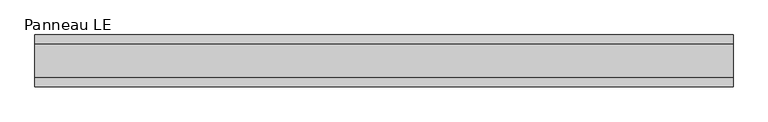
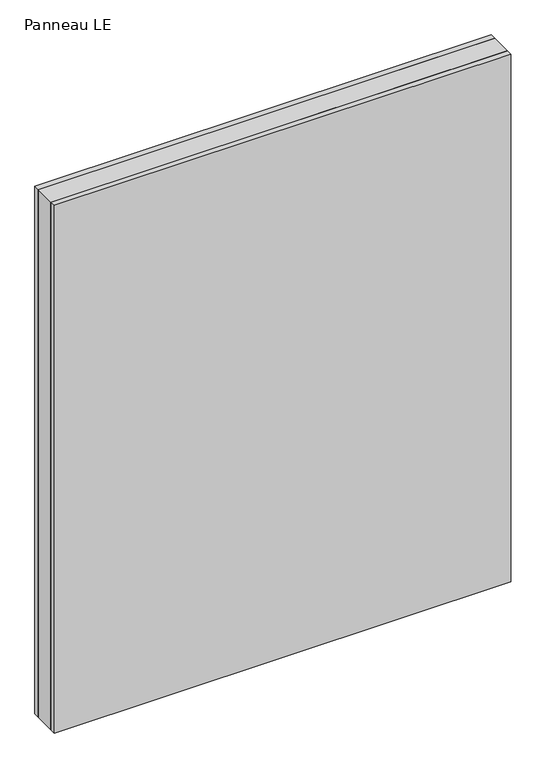
"""IFC4 building model written with IfcOpenShell, lengths in millimetres: plate geometry, Panneau LE."""

from ifc_helpers import new_model, si_unit, origin, origin_with_axes, place, context, project, spatial, polyline, outline, extrude, source, transform, mapped, element, save


def panneau_le_803bbf02(model_context):
    return source(origin(), model_context, "Body", "SweptSolid", [
        extrude(outline(polyline([(606.9999999, 29.0), (606.9999999, -29.0), (-606.9999999, -29.0), (-606.9999999, 29.0), (606.9999999, 29.0)])), origin_with_axes(), (0.0, 0.0, 1.0), 1483.5),
        extrude(outline(polyline([(606.9999999, 45.0), (606.9999999, 29.0), (-606.9999999, 29.0), (-606.9999999, 45.0), (606.9999999, 45.0)])), origin_with_axes(), (0.0, 0.0, 1.0), 1483.5),
        extrude(outline(polyline([(-606.9999999, -45.0), (-606.9999999, -29.0), (606.9999999, -29.0), (606.9999999, -45.0), (-606.9999999, -45.0)])), origin_with_axes(), (0.0, 0.0, 1.0), 1483.5),
    ])


if __name__ == "__main__":
    model = new_model("IFC4")
    model_context = context("Model", 3, world=origin())
    ifc_project = project(units=[si_unit("LENGTHUNIT", "METRE", prefix="MILLI")], contexts=[model_context])
    site = spatial("IfcSite", under=ifc_project)
    building = spatial("IfcBuilding", under=site)
    placement = place(None, origin())
    panneau_le_shape = panneau_le_803bbf02(model_context)
    element("IfcPlate", 1, ObjectType="Panneau LE", at=placement, inside=building, context=model_context, shape_type="MappedRepresentation", body=[
        mapped(panneau_le_shape, transform((0.0, 0.0, 0.0), x_axis=(1.0, 0.0, 0.0), y_axis=(0.0, 1.0, 0.0), z_axis=(0.0, 0.0, 1.0))),
    ])
    save(model, "model.ifc")
